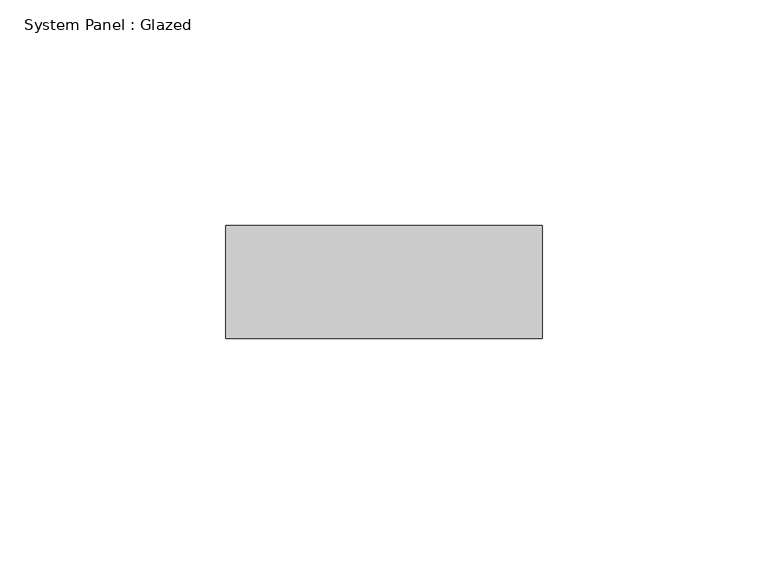
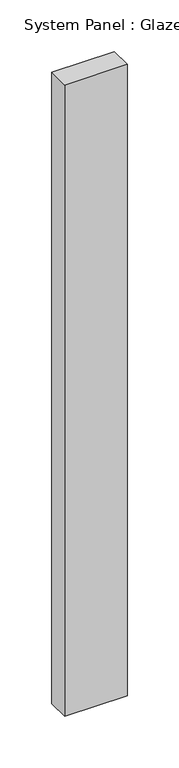
"""IFC4 building model written with IfcOpenShell, lengths in millimetres: plate geometry, System Panel : Glazed."""

from ifc_helpers import new_model, si_unit, origin, origin_with_axes, place, context, project, spatial, polyline, outline, extrude, source, transform, mapped, element, save


def system_panel_glazed_1fde0a66(model_context):
    return source(origin(), model_context, "Body", "SweptSolid", [
        extrude(outline(polyline([(35.0, 24.5), (-35.0, 24.5), (-35.0, 49.5), (35.0, 49.5), (35.0, 24.5)])), origin_with_axes(), (0.0, 0.0, 1.0), 746.6666667),
    ])


if __name__ == "__main__":
    model = new_model("IFC4")
    model_context = context("Model", 3, world=origin())
    ifc_project = project(units=[si_unit("LENGTHUNIT", "METRE", prefix="MILLI")], contexts=[model_context])
    site = spatial("IfcSite", under=ifc_project)
    building = spatial("IfcBuilding", under=site)
    placement = place(None, origin())
    system_panel_glazed_shape = system_panel_glazed_1fde0a66(model_context)
    element("IfcPlate", 1, ObjectType="System Panel : Glazed", at=placement, inside=building, context=model_context, shape_type="MappedRepresentation", body=[
        mapped(system_panel_glazed_shape, transform((0.0, 0.0, 0.0), x_axis=(1.0, 0.0, 0.0), y_axis=(0.0, 1.0, 0.0), z_axis=(0.0, 0.0, 1.0))),
    ])
    save(model, "model.ifc")
